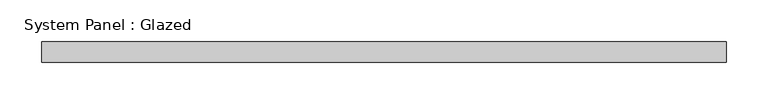
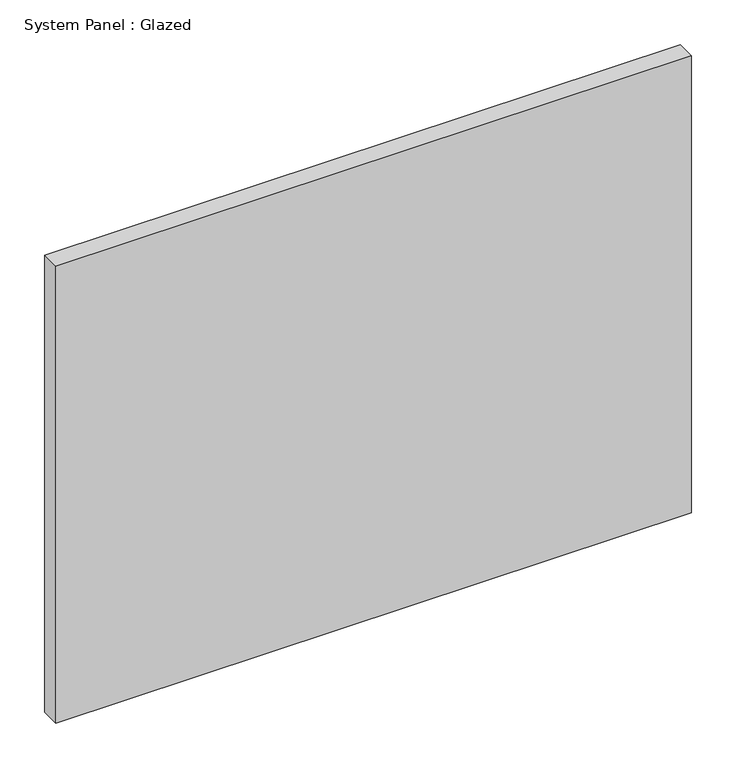
"""IFC4 building model written with IfcOpenShell, lengths in millimetres: plate geometry, System Panel : Glazed."""

from ifc_helpers import new_model, si_unit, origin, origin_with_axes, place, context, project, spatial, polyline, outline, extrude, source, transform, mapped, element, save


def system_panel_glazed_16550b63(model_context):
    return source(origin(), model_context, "Body", "SweptSolid", [
        extrude(outline(polyline([(412.5, 24.5), (-412.5, 24.5), (-412.5, 49.5), (412.5, 49.5), (412.5, 24.5)])), origin_with_axes(), (0.0, 0.0, 1.0), 626.6666667),
    ])


if __name__ == "__main__":
    model = new_model("IFC4")
    model_context = context("Model", 3, world=origin())
    ifc_project = project(units=[si_unit("LENGTHUNIT", "METRE", prefix="MILLI")], contexts=[model_context])
    site = spatial("IfcSite", under=ifc_project)
    building = spatial("IfcBuilding", under=site)
    placement = place(None, origin())
    system_panel_glazed_shape = system_panel_glazed_16550b63(model_context)
    element("IfcPlate", 1, ObjectType="System Panel : Glazed", at=placement, inside=building, context=model_context, shape_type="MappedRepresentation", body=[
        mapped(system_panel_glazed_shape, transform((0.0, 0.0, 0.0), x_axis=(1.0, 0.0, 0.0), y_axis=(0.0, 1.0, 0.0), z_axis=(0.0, 0.0, 1.0))),
    ])
    save(model, "model.ifc")
